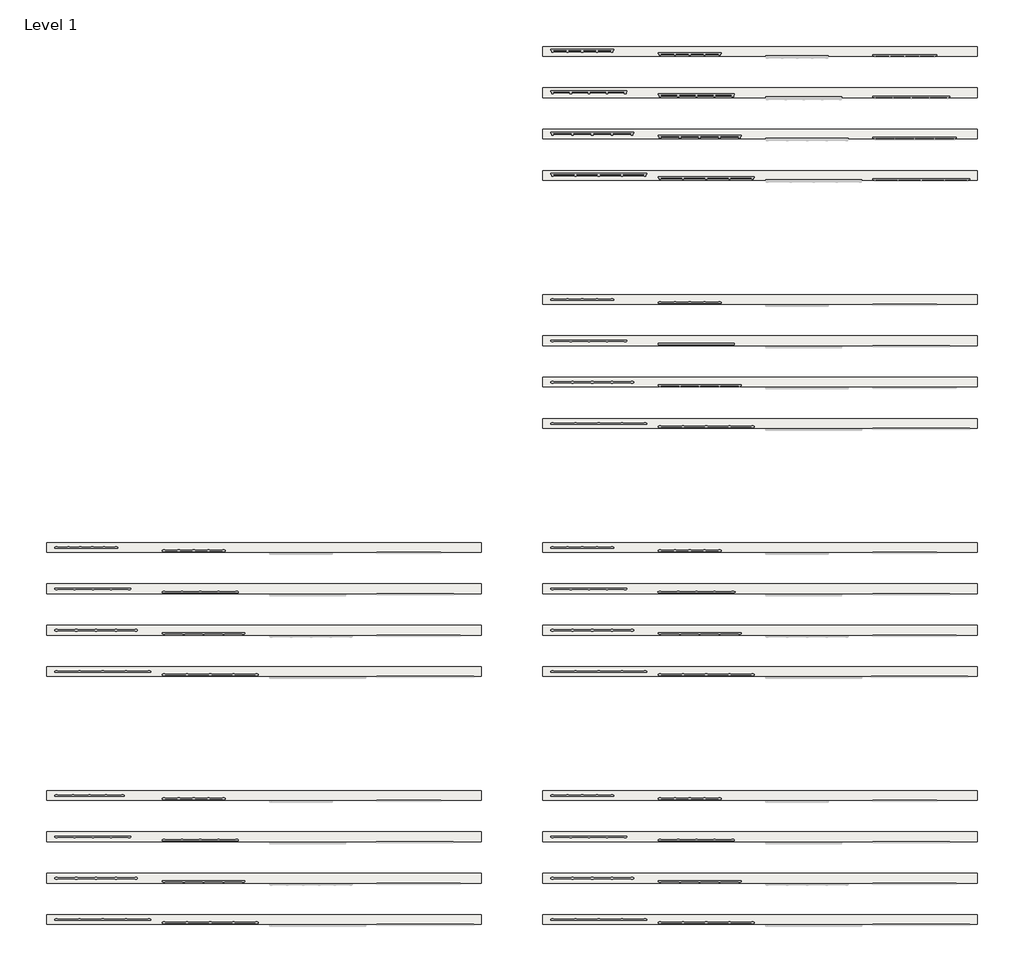
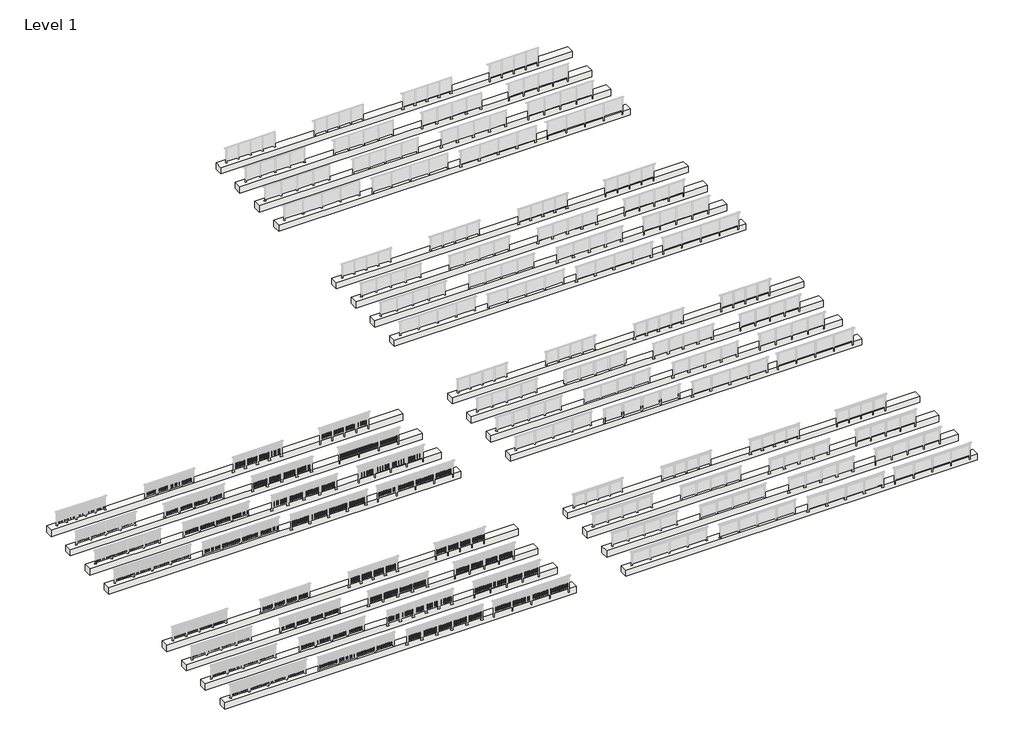
# One storey, part 1 of 64: 24 slabs.
"""IFC4 building model written with IfcOpenShell, lengths in millimetres."""

from ifc_helpers import new_model, si_unit, frame, origin, place, context, project, spatial, polyline, outline, extrude, element, save

model = new_model("IFC4")

# Units and contexts
model_context = context("Model", 3, world=origin())
ifc_project = project(units=[si_unit("LENGTHUNIT", "METRE", prefix="MILLI")], contexts=[model_context])

# Site, building, storey
site = spatial("IfcSite", under=ifc_project)
building = spatial("IfcBuilding", under=site)
storey = spatial("IfcBuildingStorey", under=building, Name="Level 1", Elevation=0.0)

# Slabs
placement = place(None, origin())
element("IfcSlab", 1, ObjectType="Generic 500", at=placement, inside=storey, context=model_context, shape_type="SweptSolid", body=[
    extrude(outline(polyline([(25700.0, -99.8153172), (-600.0, -99.8153172), (-600.0, 490.1846828), (25700.0, 490.1846828), (25700.0, -99.8153172)])), frame((0.0, 0.0, -500.0), z_axis=(0.0, 0.0, 1.0), x_axis=(1.0, 0.0, 0.0)), (0.0, 0.0, 1.0), 500.0),
])
element("IfcSlab", 2, ObjectType="Generic 500", at=placement, inside=storey, context=model_context, shape_type="SweptSolid", body=[
    extrude(outline(polyline([(25700.0, 2400.1846828), (-600.0, 2400.1846828), (-600.0, 2990.1846828), (25700.0, 2990.1846828), (25700.0, 2400.1846828)])), frame((0.0, 0.0, -500.0), z_axis=(0.0, 0.0, 1.0), x_axis=(1.0, 0.0, 0.0)), (0.0, 0.0, 1.0), 500.0),
])
element("IfcSlab", 3, ObjectType="Generic 500", at=placement, inside=storey, context=model_context, shape_type="SweptSolid", body=[
    extrude(outline(polyline([(25700.0, 4900.1846828), (-600.0, 4900.1846828), (-600.0, 5490.1846828), (25700.0, 5490.1846828), (25700.0, 4900.1846828)])), frame((0.0, 0.0, -500.0), z_axis=(0.0, 0.0, 1.0), x_axis=(1.0, 0.0, 0.0)), (0.0, 0.0, 1.0), 500.0),
])
element("IfcSlab", 4, ObjectType="Generic 500", at=placement, inside=storey, context=model_context, shape_type="SweptSolid", body=[
    extrude(outline(polyline([(25700.0, 7400.1846828), (-600.0, 7400.1846828), (-600.0, 7990.1846828), (25700.0, 7990.1846828), (25700.0, 7400.1846828)])), frame((0.0, 0.0, -500.0), z_axis=(0.0, 0.0, 1.0), x_axis=(1.0, 0.0, 0.0)), (0.0, 0.0, 1.0), 500.0),
])
element("IfcSlab", 5, ObjectType="Generic 500", at=placement, inside=storey, context=model_context, shape_type="SweptSolid", body=[
    extrude(outline(polyline([(25700.0, 14900.1846828), (-600.0, 14900.1846828), (-600.0, 15490.1846828), (25700.0, 15490.1846828), (25700.0, 14900.1846828)])), frame((0.0, 0.0, -500.0), z_axis=(0.0, 0.0, 1.0), x_axis=(1.0, 0.0, 0.0)), (0.0, 0.0, 1.0), 500.0),
])
element("IfcSlab", 6, ObjectType="Generic 500", at=placement, inside=storey, context=model_context, shape_type="SweptSolid", body=[
    extrude(outline(polyline([(25700.0, 17400.1846828), (-600.0, 17400.1846828), (-600.0, 17990.1846828), (25700.0, 17990.1846828), (25700.0, 17400.1846828)])), frame((0.0, 0.0, -500.0), z_axis=(0.0, 0.0, 1.0), x_axis=(1.0, 0.0, 0.0)), (0.0, 0.0, 1.0), 500.0),
])
element("IfcSlab", 7, ObjectType="Generic 500", at=placement, inside=storey, context=model_context, shape_type="SweptSolid", body=[
    extrude(outline(polyline([(25700.0, 19900.1846828), (-600.0, 19900.1846828), (-600.0, 20490.1846828), (25700.0, 20490.1846828), (25700.0, 19900.1846828)])), frame((0.0, 0.0, -500.0), z_axis=(0.0, 0.0, 1.0), x_axis=(1.0, 0.0, 0.0)), (0.0, 0.0, 1.0), 500.0),
])
element("IfcSlab", 8, ObjectType="Generic 500", at=placement, inside=storey, context=model_context, shape_type="SweptSolid", body=[
    extrude(outline(polyline([(25700.0, 22400.1846828), (-600.0, 22400.1846828), (-600.0, 22990.1846828), (25700.0, 22990.1846828), (25700.0, 22400.1846828)])), frame((0.0, 0.0, -500.0), z_axis=(0.0, 0.0, 1.0), x_axis=(1.0, 0.0, 0.0)), (0.0, 0.0, 1.0), 500.0),
])
element("IfcSlab", 9, ObjectType="Generic 500", at=placement, inside=storey, context=model_context, shape_type="SweptSolid", body=[
    extrude(outline(polyline([(55700.0, 29900.1846828), (29400.0, 29900.1846828), (29400.0, 30490.1846828), (55700.0, 30490.1846828), (55700.0, 29900.1846828)])), frame((0.0, 0.0, -500.0), z_axis=(0.0, 0.0, 1.0), x_axis=(1.0, 0.0, 0.0)), (0.0, 0.0, 1.0), 500.0),
])
element("IfcSlab", 10, ObjectType="Generic 500", at=placement, inside=storey, context=model_context, shape_type="SweptSolid", body=[
    extrude(outline(polyline([(55700.0, 32400.1846828), (29400.0, 32400.1846828), (29400.0, 32990.1846828), (55700.0, 32990.1846828), (55700.0, 32400.1846828)])), frame((0.0, 0.0, -500.0), z_axis=(0.0, 0.0, 1.0), x_axis=(1.0, 0.0, 0.0)), (0.0, 0.0, 1.0), 500.0),
])
element("IfcSlab", 11, ObjectType="Generic 500", at=placement, inside=storey, context=model_context, shape_type="SweptSolid", body=[
    extrude(outline(polyline([(55700.0, 34900.1846828), (29400.0, 34900.1846828), (29400.0, 35490.1846828), (55700.0, 35490.1846828), (55700.0, 34900.1846828)])), frame((0.0, 0.0, -500.0), z_axis=(0.0, 0.0, 1.0), x_axis=(1.0, 0.0, 0.0)), (0.0, 0.0, 1.0), 500.0),
])
element("IfcSlab", 12, ObjectType="Generic 500", at=placement, inside=storey, context=model_context, shape_type="SweptSolid", body=[
    extrude(outline(polyline([(55700.0, 37400.1846828), (29400.0, 37400.1846828), (29400.0, 37990.1846828), (55700.0, 37990.1846828), (55700.0, 37400.1846828)])), frame((0.0, 0.0, -500.0), z_axis=(0.0, 0.0, 1.0), x_axis=(1.0, 0.0, 0.0)), (0.0, 0.0, 1.0), 500.0),
])
element("IfcSlab", 13, ObjectType="Generic 500", at=placement, inside=storey, context=model_context, shape_type="SweptSolid", body=[
    extrude(outline(polyline([(55700.0, 14900.1846828), (29400.0, 14900.1846828), (29400.0, 15490.1846828), (55700.0, 15490.1846828), (55700.0, 14900.1846828)])), frame((0.0, 0.0, -500.0), z_axis=(0.0, 0.0, 1.0), x_axis=(1.0, 0.0, 0.0)), (0.0, 0.0, 1.0), 500.0),
])
element("IfcSlab", 14, ObjectType="Generic 500", at=placement, inside=storey, context=model_context, shape_type="SweptSolid", body=[
    extrude(outline(polyline([(55700.0, 17400.1846828), (29400.0, 17400.1846828), (29400.0, 17990.1846828), (55700.0, 17990.1846828), (55700.0, 17400.1846828)])), frame((0.0, 0.0, -500.0), z_axis=(0.0, 0.0, 1.0), x_axis=(1.0, 0.0, 0.0)), (0.0, 0.0, 1.0), 500.0),
])
element("IfcSlab", 15, ObjectType="Generic 500", at=placement, inside=storey, context=model_context, shape_type="SweptSolid", body=[
    extrude(outline(polyline([(55700.0, 19900.1846828), (29400.0, 19900.1846828), (29400.0, 20490.1846828), (55700.0, 20490.1846828), (55700.0, 19900.1846828)])), frame((0.0, 0.0, -500.0), z_axis=(0.0, 0.0, 1.0), x_axis=(1.0, 0.0, 0.0)), (0.0, 0.0, 1.0), 500.0),
])
element("IfcSlab", 16, ObjectType="Generic 500", at=placement, inside=storey, context=model_context, shape_type="SweptSolid", body=[
    extrude(outline(polyline([(55700.0, 22400.1846828), (29400.0, 22400.1846828), (29400.0, 22990.1846828), (55700.0, 22990.1846828), (55700.0, 22400.1846828)])), frame((0.0, 0.0, -500.0), z_axis=(0.0, 0.0, 1.0), x_axis=(1.0, 0.0, 0.0)), (0.0, 0.0, 1.0), 500.0),
])
element("IfcSlab", 17, ObjectType="Generic 500", at=placement, inside=storey, context=model_context, shape_type="SweptSolid", body=[
    extrude(outline(polyline([(55700.0, -99.8153172), (29400.0, -99.8153172), (29400.0, 490.1846828), (55700.0, 490.1846828), (55700.0, -99.8153172)])), frame((0.0, 0.0, -500.0), z_axis=(0.0, 0.0, 1.0), x_axis=(1.0, 0.0, 0.0)), (0.0, 0.0, 1.0), 500.0),
])
element("IfcSlab", 18, ObjectType="Generic 500", at=placement, inside=storey, context=model_context, shape_type="SweptSolid", body=[
    extrude(outline(polyline([(55700.0, 2400.1846828), (29400.0, 2400.1846828), (29400.0, 2990.1846828), (55700.0, 2990.1846828), (55700.0, 2400.1846828)])), frame((0.0, 0.0, -500.0), z_axis=(0.0, 0.0, 1.0), x_axis=(1.0, 0.0, 0.0)), (0.0, 0.0, 1.0), 500.0),
])
element("IfcSlab", 19, ObjectType="Generic 500", at=placement, inside=storey, context=model_context, shape_type="SweptSolid", body=[
    extrude(outline(polyline([(55700.0, 4900.1846828), (29400.0, 4900.1846828), (29400.0, 5490.1846828), (55700.0, 5490.1846828), (55700.0, 4900.1846828)])), frame((0.0, 0.0, -500.0), z_axis=(0.0, 0.0, 1.0), x_axis=(1.0, 0.0, 0.0)), (0.0, 0.0, 1.0), 500.0),
])
element("IfcSlab", 20, ObjectType="Generic 500", at=placement, inside=storey, context=model_context, shape_type="SweptSolid", body=[
    extrude(outline(polyline([(55700.0, 7400.1846828), (29400.0, 7400.1846828), (29400.0, 7990.1846828), (55700.0, 7990.1846828), (55700.0, 7400.1846828)])), frame((0.0, 0.0, -500.0), z_axis=(0.0, 0.0, 1.0), x_axis=(1.0, 0.0, 0.0)), (0.0, 0.0, 1.0), 500.0),
])
element("IfcSlab", 21, ObjectType="Generic 500", at=placement, inside=storey, context=model_context, shape_type="SweptSolid", body=[
    extrude(outline(polyline([(55700.0, 44900.1846828), (29400.0, 44900.1846828), (29400.0, 45490.1846828), (55700.0, 45490.1846828), (55700.0, 44900.1846828)])), frame((0.0, 0.0, -500.0), z_axis=(0.0, 0.0, 1.0), x_axis=(1.0, 0.0, 0.0)), (0.0, 0.0, 1.0), 500.0),
])
element("IfcSlab", 22, ObjectType="Generic 500", at=placement, inside=storey, context=model_context, shape_type="SweptSolid", body=[
    extrude(outline(polyline([(55700.0, 47400.1846828), (29400.0, 47400.1846828), (29400.0, 47990.1846828), (55700.0, 47990.1846828), (55700.0, 47400.1846828)])), frame((0.0, 0.0, -500.0), z_axis=(0.0, 0.0, 1.0), x_axis=(1.0, 0.0, 0.0)), (0.0, 0.0, 1.0), 500.0),
])
element("IfcSlab", 23, ObjectType="Generic 500", at=placement, inside=storey, context=model_context, shape_type="SweptSolid", body=[
    extrude(outline(polyline([(55700.0, 49900.1846828), (29400.0, 49900.1846828), (29400.0, 50490.1846828), (55700.0, 50490.1846828), (55700.0, 49900.1846828)])), frame((0.0, 0.0, -500.0), z_axis=(0.0, 0.0, 1.0), x_axis=(1.0, 0.0, 0.0)), (0.0, 0.0, 1.0), 500.0),
])
element("IfcSlab", 24, ObjectType="Generic 500", at=placement, inside=storey, context=model_context, shape_type="SweptSolid", body=[
    extrude(outline(polyline([(55700.0, 52400.1846828), (29400.0, 52400.1846828), (29400.0, 52990.1846828), (55700.0, 52990.1846828), (55700.0, 52400.1846828)])), frame((0.0, 0.0, -500.0), z_axis=(0.0, 0.0, 1.0), x_axis=(1.0, 0.0, 0.0)), (0.0, 0.0, 1.0), 500.0),
])

save(model, "model.ifc")
